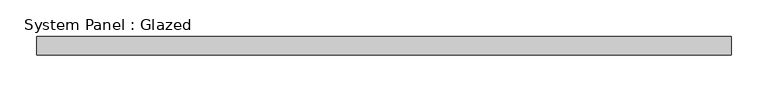
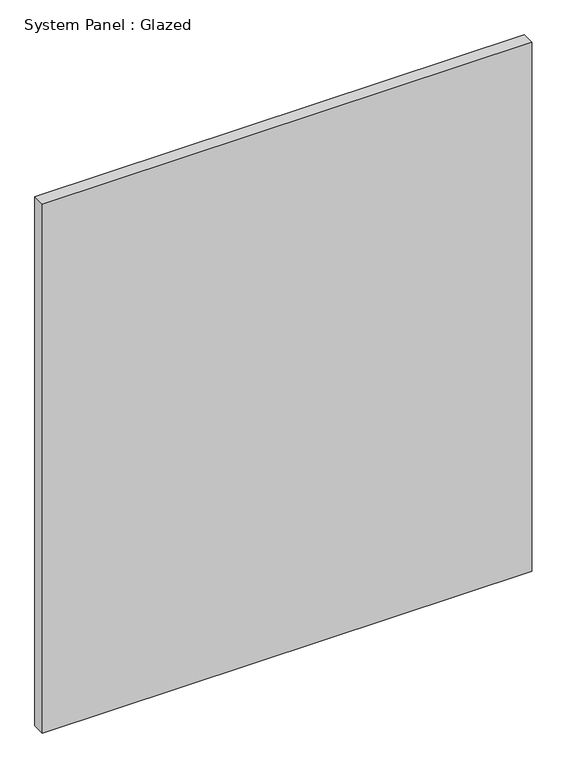
"""IFC4 building model written with IfcOpenShell, lengths in millimetres: plate geometry, System Panel : Glazed."""

from ifc_helpers import new_model, si_unit, origin, origin_with_axes, place, context, project, spatial, polyline, outline, extrude, source, transform, mapped, element, save


def system_panel_glazed_55e6ce95(model_context):
    return source(origin(), model_context, "Body", "SweptSolid", [
        extrude(outline(polyline([(472.7575, -12.7), (-472.7575, -12.7), (-472.7575, 12.7), (472.7575, 12.7), (472.7575, -12.7)])), origin_with_axes(), (0.0, 0.0, 1.0), 1080.0),
    ])


if __name__ == "__main__":
    model = new_model("IFC4")
    model_context = context("Model", 3, world=origin())
    ifc_project = project(units=[si_unit("LENGTHUNIT", "METRE", prefix="MILLI")], contexts=[model_context])
    site = spatial("IfcSite", under=ifc_project)
    building = spatial("IfcBuilding", under=site)
    placement = place(None, origin())
    system_panel_glazed_shape = system_panel_glazed_55e6ce95(model_context)
    element("IfcPlate", 1, ObjectType="System Panel : Glazed", at=placement, inside=building, context=model_context, shape_type="MappedRepresentation", body=[
        mapped(system_panel_glazed_shape, transform((0.0, 0.0, 0.0), x_axis=(1.0, 0.0, 0.0), y_axis=(0.0, 1.0, 0.0), z_axis=(0.0, 0.0, 1.0))),
    ])
    save(model, "model.ifc")
